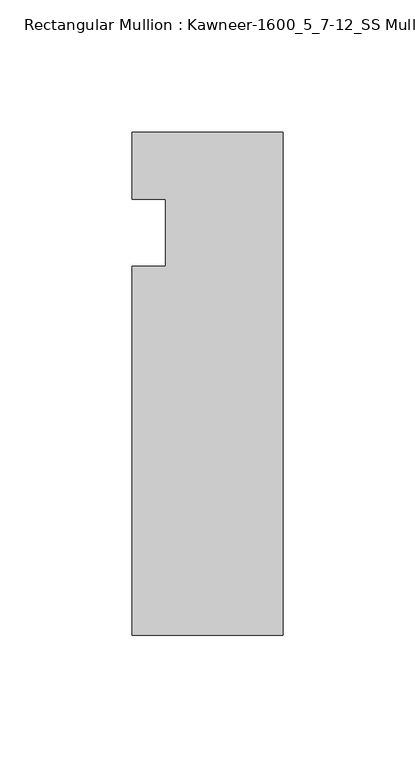
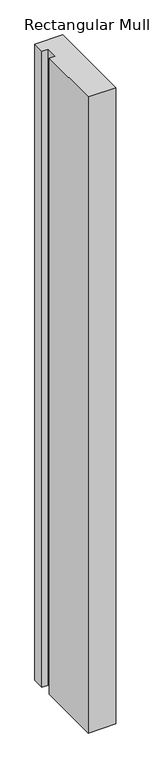
"""IFC4 building model written with IfcOpenShell, lengths in millimetres: member geometry, Rectangular Mullion : Kawneer-1600_5_7-12_SS Mullion_Head."""

from ifc_helpers import new_model, si_unit, frame, origin, place, context, project, spatial, polyline, outline, extrude, source, transform, mapped, element, save


def rectangular_mullion_kawneer_1600_5_7_12_ss_mullion_head_1df0e333(model_context):
    return source(origin(), model_context, "Body", "SweptSolid", [
        extrude(outline(polyline([(-57.15, -152.4), (-57.15, -12.7), (-44.4482296, -12.7), (-44.4482296, 12.7), (-57.15, 12.7), (-57.15, 38.1), (0.0, 38.1), (0.0, -152.4), (-57.15, -152.4)])), frame((0.0, 0.0, -1391.8094027), z_axis=(0.0, 0.0, 1.0), x_axis=(1.0, 0.0, 0.0)), (0.0, 0.0, 1.0), 1391.8094027),
    ])


if __name__ == "__main__":
    model = new_model("IFC4")
    model_context = context("Model", 3, world=origin())
    ifc_project = project(units=[si_unit("LENGTHUNIT", "METRE", prefix="MILLI")], contexts=[model_context])
    site = spatial("IfcSite", under=ifc_project)
    building = spatial("IfcBuilding", under=site)
    placement = place(None, origin())
    rectangular_mullion_kawneer_1600_5_7_12_ss_mullion_head_shape = rectangular_mullion_kawneer_1600_5_7_12_ss_mullion_head_1df0e333(model_context)
    element("IfcMember", 1, ObjectType="Rectangular Mullion : Kawneer-1600_5_7-12_SS Mullion_Head", at=placement, inside=building, context=model_context, shape_type="MappedRepresentation", body=[
        mapped(rectangular_mullion_kawneer_1600_5_7_12_ss_mullion_head_shape, transform((0.0, 0.0, 0.0), x_axis=(1.0, 0.0, 0.0), y_axis=(0.0, 1.0, 0.0), z_axis=(0.0, 0.0, 1.0))),
    ])
    save(model, "model.ifc")
